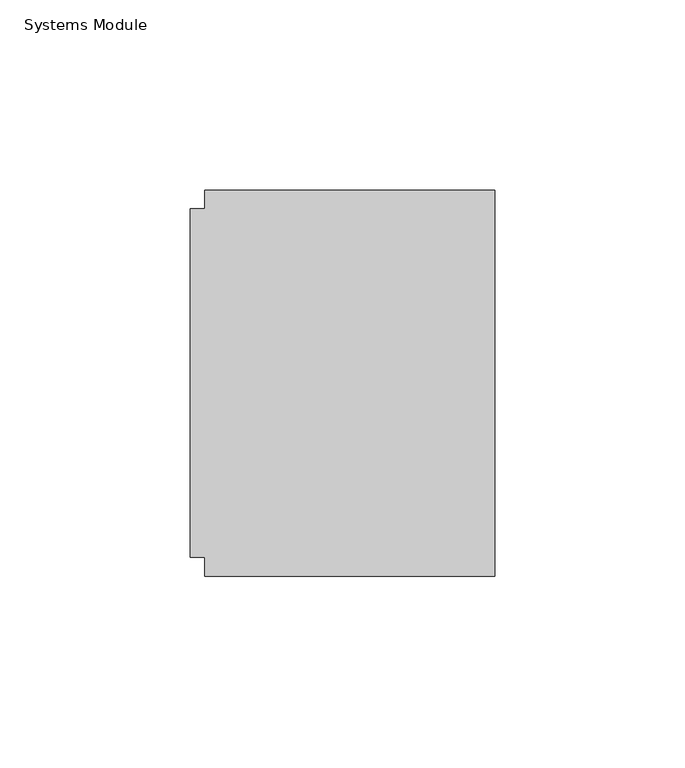
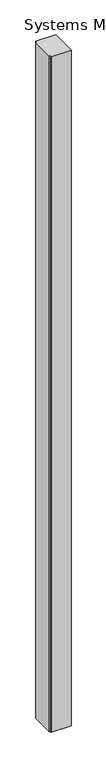
"""IFC4 building model written with IfcOpenShell, lengths in millimetres: furniture geometry, Systems Module."""

from ifc_helpers import new_model, si_unit, origin, origin_with_axes, place, context, project, spatial, polyline, outline, extrude, source, transform, mapped, element, save


def systems_module_535636b3(model_context):
    return source(origin(), model_context, "Body", "SweptSolid", [
        extrude(outline(polyline([(29.9771531, 66.301805), (106.1771531, 66.301805), (106.1771531, -35.298195), (29.9771531, -35.298195), (29.9771531, -30.345195), (26.0401531, -30.345195), (26.0401531, 61.348805), (29.9771531, 61.348805), (29.9771531, 66.301805)])), origin_with_axes(), (0.0, 0.0, 1.0), 2743.2),
    ])


if __name__ == "__main__":
    model = new_model("IFC4")
    model_context = context("Model", 3, world=origin())
    ifc_project = project(units=[si_unit("LENGTHUNIT", "METRE", prefix="MILLI")], contexts=[model_context])
    site = spatial("IfcSite", under=ifc_project)
    building = spatial("IfcBuilding", under=site)
    placement = place(None, origin())
    systems_module_shape = systems_module_535636b3(model_context)
    element("IfcFurniture", 1, ObjectType="Systems Module", at=placement, inside=building, context=model_context, shape_type="MappedRepresentation", body=[
        mapped(systems_module_shape, transform((0.0, 0.0, 0.0), x_axis=(1.0, 0.0, 0.0), y_axis=(0.0, 1.0, 0.0), z_axis=(0.0, 0.0, 1.0))),
    ])
    save(model, "model.ifc")
